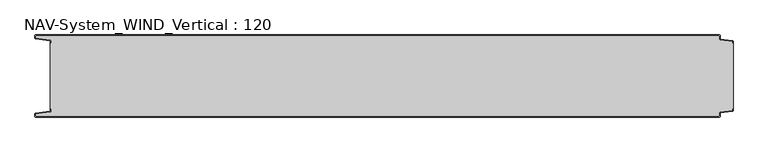
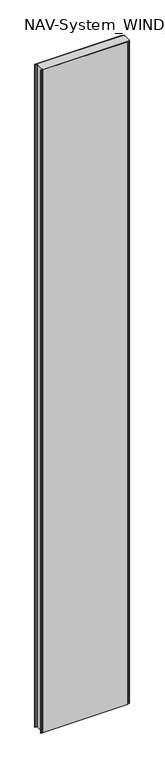
"""IFC4 building model written with IfcOpenShell, lengths in millimetres: plate geometry, NAV-System_WIND_Vertical : 120."""

import ifcopenshell
import ifcopenshell.guid

model = None  # the IFC model being written
_history = None  # IfcOwnerHistory: only IFC2X3 demands one
_inside = {}  # id of a spatial element -> (the spatial element, [elements in it])
_under = {}  # id of a project, library or spatial element -> (it, [spatial elements below it])
_declared = {}  # id of a project -> (the project, [libraries it declares])
_typed = {}  # id of a type object -> (the type object, [elements of that type])
_made_of = {}  # id of a material, layer set ... -> (it, [elements and type objects made of it])


def new_model(schema):
    """Start an empty IFC model of exactly this schema.

    Asked for "IFC4X3", IfcOpenShell would pick the latest addendum, in which some entities
    have other attributes; the version numbers below select the first issue.
    IFC2X3 requires an IfcOwnerHistory on every rooted entity: one is made here for all.
    """
    global model, _history
    if schema == "IFC4X3":
        model = ifcopenshell.file(schema_version=(4, 3, 0, 0))
    else:
        model = ifcopenshell.file(schema=schema)
    _inside.clear()
    _under.clear()
    _declared.clear()
    _typed.clear()
    _made_of.clear()
    _history = None
    if model.schema == "IFC2X3":
        org = make("IfcOrganization", Name="unknown")
        user = make(
            "IfcPersonAndOrganization",
            ThePerson=make("IfcPerson", FamilyName="unknown"),
            TheOrganization=org,
        )
        app = make(
            "IfcApplication",
            ApplicationDeveloper=org,
            Version="unknown",
            ApplicationFullName="unknown",
            ApplicationIdentifier="unknown",
        )
        _history = make(
            "IfcOwnerHistory",
            OwningUser=user,
            OwningApplication=app,
            ChangeAction="ADDED",
            CreationDate=0,
        )
    return model


def make(cls, **values):
    """One entity of the class cls with the attributes given. An attribute that is None is left unset."""
    return model.create_entity(
        cls, **{name: value for name, value in values.items() if value is not None}
    )


def rooted(cls, **values):
    """An entity with a GlobalId (a new one), such as an element, a storey or a relation."""
    return make(cls, GlobalId=ifcopenshell.guid.new(), OwnerHistory=_history, **values)


def si_unit(unit_type, name, prefix=None):
    """IfcSIUnit, for example si_unit("LENGTHUNIT", "METRE", prefix="MILLI")."""
    return make("IfcSIUnit", UnitType=unit_type, Prefix=prefix, Name=name)


def assignment(units):
    """IfcUnitAssignment: the units of a project."""
    return None if units is None else make("IfcUnitAssignment", Units=units)


def point(xyz):
    """IfcCartesianPoint."""
    return None if xyz is None else make("IfcCartesianPoint", Coordinates=xyz)


def direction(xyz):
    """IfcDirection."""
    return None if xyz is None else make("IfcDirection", DirectionRatios=xyz)


def frame(location, z_axis=None, x_axis=None):
    """IfcAxis2Placement3D, a coordinate frame: its origin and axes. An axis left out is left unset."""
    return make(
        "IfcAxis2Placement3D",
        Location=point(location),
        Axis=direction(z_axis),
        RefDirection=direction(x_axis),
    )


def frame_2d(location, x_axis=None):
    """IfcAxis2Placement2D, a coordinate frame in the plane: its origin and x axis."""
    return make(
        "IfcAxis2Placement2D", Location=point(location), RefDirection=direction(x_axis)
    )


def origin():
    """The frame at (0, 0, 0) with its axes left unset."""
    return frame((0.0, 0.0, 0.0))


def origin_with_axes():
    """The frame at (0, 0, 0) with the z axis (0, 0, 1) and the x axis (1, 0, 0) written out."""
    return frame((0.0, 0.0, 0.0), z_axis=(0.0, 0.0, 1.0), x_axis=(1.0, 0.0, 0.0))


def place(relative_to, where):
    """IfcLocalPlacement: puts the frame where relative to a parent placement (None: the world)."""
    return make(
        "IfcLocalPlacement", PlacementRelTo=relative_to, RelativePlacement=where
    )


def context(
    kind, dimensions, precision=None, world=None, true_north=None, identifier=None
):
    """IfcGeometricRepresentationContext, for example the 3D "Model" context."""
    return make(
        "IfcGeometricRepresentationContext",
        ContextIdentifier=identifier,
        ContextType=kind,
        CoordinateSpaceDimension=dimensions,
        Precision=precision,
        WorldCoordinateSystem=world,
        TrueNorth=true_north,
    )


def project(units=None, contexts=None):
    """IfcProject with its units and contexts."""
    return rooted(
        "IfcProject",
        Name="project",
        RepresentationContexts=contexts,
        UnitsInContext=assignment(units),
    )


def spatial(cls, under=None, at=None, **own):
    """A site, building, storey or space (cls), placed at a placement, below another one or the project."""
    s = rooted(cls, ObjectPlacement=at, **own)
    if under is not None:
        _under.setdefault(under.id(), (under, []))[1].append(s)
    return s


def polyline(points):
    """IfcPolyline through the points."""
    return make("IfcPolyline", Points=[point(p) for p in points])


def circle_curve(where, radius):
    """IfcCircle in the frame where."""
    return make("IfcCircle", Position=where, Radius=radius)


def trimmed(basis, trim1, trim2, sense, master):
    """IfcTrimmedCurve: the piece of a basis curve between two trims."""
    return make(
        "IfcTrimmedCurve",
        BasisCurve=basis,
        Trim1=trim1,
        Trim2=trim2,
        SenseAgreement=sense,
        MasterRepresentation=master,
    )


def segment(curve, same_sense, transition):
    """IfcCompositeCurveSegment."""
    return make(
        "IfcCompositeCurveSegment",
        Transition=transition,
        SameSense=same_sense,
        ParentCurve=curve,
    )


def composite_curve(segments, self_intersect=None):
    """IfcCompositeCurve: segments joined end to end."""
    return make("IfcCompositeCurve", Segments=segments, SelfIntersect=self_intersect)


def outline(outer, holes=None, kind="AREA"):
    """IfcArbitraryClosedProfileDef: a profile drawn as a closed curve; with holes, ...WithVoids."""
    if holes is None:
        return make("IfcArbitraryClosedProfileDef", ProfileType=kind, OuterCurve=outer)
    return make(
        "IfcArbitraryProfileDefWithVoids",
        ProfileType=kind,
        OuterCurve=outer,
        InnerCurves=holes,
    )


def extrude(swept, where, along, depth):
    """IfcExtrudedAreaSolid: the profile swept, set in the frame where, extruded along a direction by depth."""
    return make(
        "IfcExtrudedAreaSolid",
        SweptArea=swept,
        Position=where,
        ExtrudedDirection=direction(along),
        Depth=depth,
    )


def shape(context_of_items, identifier, shape_type, items):
    """IfcShapeRepresentation: the items that make up one representation, for example the "Body"."""
    return make(
        "IfcShapeRepresentation",
        ContextOfItems=context_of_items,
        RepresentationIdentifier=identifier,
        RepresentationType=shape_type,
        Items=items,
    )


def source(mapping_origin, context_of_items, identifier, shape_type, items):
    """IfcRepresentationMap: a shape defined once, which mapped items show again and again."""
    return make(
        "IfcRepresentationMap",
        MappingOrigin=mapping_origin,
        MappedRepresentation=shape(context_of_items, identifier, shape_type, items),
    )


def transform(
    local_origin,
    x_axis=None,
    y_axis=None,
    z_axis=None,
    scale=None,
    scale2=None,
    scale3=None,
    uniform=True,
):
    """IfcCartesianTransformationOperator3D, or its non-uniform kind. x_axis, y_axis, z_axis: its Axis1, 2, 3."""
    if uniform:
        return make(
            "IfcCartesianTransformationOperator3D",
            Axis1=direction(x_axis),
            Axis2=direction(y_axis),
            LocalOrigin=point(local_origin),
            Scale=scale,
            Axis3=direction(z_axis),
        )
    return make(
        "IfcCartesianTransformationOperator3DnonUniform",
        Axis1=direction(x_axis),
        Axis2=direction(y_axis),
        LocalOrigin=point(local_origin),
        Scale=scale,
        Axis3=direction(z_axis),
        Scale2=scale2,
        Scale3=scale3,
    )


def mapped(mapping_source, mapping_target):
    """IfcMappedItem: shows the shape of a source again, moved by a transform."""
    return make(
        "IfcMappedItem", MappingSource=mapping_source, MappingTarget=mapping_target
    )


def made_of(thing, what):
    """Note that an element or type object is made of a material, layer set ...; save() writes the relation."""
    if what is not None:
        _made_of.setdefault(what.id(), (what, []))[1].append(thing)
    return thing


def element(
    cls,
    number,
    at=None,
    inside=None,
    cuts=None,
    type_object=None,
    material=None,
    context=None,
    identifier="Body",
    shape_type=None,
    held_by="IfcProductDefinitionShape",
    body=None,
    shapes=None,
    **own,
):
    """One element of the class cls, such as IfcWall. Its Tag is "e" and its number.

    at: its placement. inside: the storey or other place that contains it. cuts: it is an
    opening in that element (IfcRelVoidsElement). A single representation is given by context,
    identifier, shape_type and body (its items); several are given by shapes. held_by: the class
    of the entity that holds the representations. save() writes the other relations.
    """
    e = rooted(cls, Tag="e%d" % number, ObjectPlacement=at, **own)
    if body is not None:
        shapes = [shape(context, identifier, shape_type, body)]
    if shapes is not None:
        e.Representation = make(held_by, Representations=shapes)
    if inside is not None:
        _inside.setdefault(inside.id(), (inside, []))[1].append(e)
    if cuts is not None:
        rooted(
            "IfcRelVoidsElement", RelatingBuildingElement=cuts, RelatedOpeningElement=e
        )
    if type_object is not None:
        _typed.setdefault(type_object.id(), (type_object, []))[1].append(e)
    return made_of(e, material)


def aggregate(whole, parts):
    """IfcRelAggregates: a whole, such as a stair, and the parts it consists of."""
    return rooted("IfcRelAggregates", RelatingObject=whole, RelatedObjects=parts)


def save(model, path):
    """Write the relations noted so far, then the file.

    IfcRelAggregates (storeys below a building ...), IfcRelContainedInSpatialStructure (elements
    in a storey), IfcRelDefinesByType, IfcRelAssociatesMaterial and IfcRelDeclares: one each for
    every whole, place, type object, material and project.
    """
    for whole, parts in _under.values():
        aggregate(whole, parts)
    for where, things in _inside.values():
        rooted(
            "IfcRelContainedInSpatialStructure",
            RelatedElements=things,
            RelatingStructure=where,
        )
    for kind, things in _typed.values():
        rooted("IfcRelDefinesByType", RelatedObjects=things, RelatingType=kind)
    for what, things in _made_of.values():
        rooted("IfcRelAssociatesMaterial", RelatedObjects=things, RelatingMaterial=what)
    for by, libraries in _declared.values():
        rooted("IfcRelDeclares", RelatingContext=by, RelatedDefinitions=libraries)
    model.write(path)


def nav_system_wind_vertical_120_45c9d836(model_context):
    return source(origin(), model_context, "Body", "SweptSolid", [
        extrude(outline(composite_curve([segment(polyline([(519.0, -108.2932637), (519.0, -110.1932637)]), True, "CONTINUOUS"), segment(trimmed(circle_curve(frame_2d((517.7, -110.1932637)), 1.3), [point((519.0, -110.1932637))], [point((517.8810287, -111.4805976))], False, "CARTESIAN"), True, "CONTINUOUS"), segment(polyline([(517.8810287, -111.4805976), (500.602523, -113.9103519)]), True, "CONTINUOUS"), segment(trimmed(circle_curve(frame_2d((500.7, -114.6035317)), 0.7), [point((500.602523, -113.9103519))], [point((500.0, -114.6035317))], True, "CARTESIAN"), True, "CONTINUOUS"), segment(polyline([(500.0, -114.6035317), (500.0, -118.7)]), True, "CONTINUOUS"), segment(trimmed(circle_curve(frame_2d((498.7, -118.7)), 1.3), [point((500.0, -118.7))], [point((498.7, -120.0))], False, "CARTESIAN"), True, "CONTINUOUS"), segment(polyline([(498.7, -120.0), (-498.7, -120.0)]), True, "CONTINUOUS"), segment(trimmed(circle_curve(frame_2d((-498.7, -118.7)), 1.3), [point((-498.7, -120.0))], [point((-500.0, -118.7))], False, "CARTESIAN"), True, "CONTINUOUS"), segment(polyline([(-500.0, -118.7), (-500.0, -115.6299809)]), True, "CONTINUOUS"), segment(trimmed(circle_curve(frame_2d((-498.7, -115.6299809)), 1.3), [point((-500.0, -115.6299809))], [point((-498.8810287, -114.342647))], False, "CARTESIAN"), True, "CONTINUOUS"), segment(polyline([(-498.8810287, -114.342647), (-478.102523, -111.4207123)]), True, "CONTINUOUS"), segment(trimmed(circle_curve(frame_2d((-478.2, -110.7275325)), 0.7), [point((-478.102523, -111.4207123))], [point((-477.5, -110.7275325))], True, "CARTESIAN"), True, "CONTINUOUS"), segment(polyline([(-477.5, -110.7275325), (-477.5, -108.3275325), (-476.7, -108.3275325), (-476.7, -110.7275325)]), True, "CONTINUOUS"), segment(trimmed(circle_curve(frame_2d((-478.2, -110.7275325)), 1.5), [point((-476.7, -110.7275325))], [point((-477.9911207, -112.2129178))], False, "CARTESIAN"), True, "CONTINUOUS"), segment(polyline([(-477.9911207, -112.2129178), (-499.2, -115.1953728), (-499.2, -118.7)]), True, "CONTINUOUS"), segment(trimmed(circle_curve(frame_2d((-498.7, -118.7)), 0.5), [point((-499.2, -118.7))], [point((-498.7, -119.2))], True, "CARTESIAN"), True, "CONTINUOUS"), segment(polyline([(-498.7, -119.2), (498.7, -119.2)]), True, "CONTINUOUS"), segment(trimmed(circle_curve(frame_2d((498.7, -118.7)), 0.5), [point((498.7, -119.2))], [point((499.2, -118.7))], True, "CARTESIAN"), True, "CONTINUOUS"), segment(polyline([(499.2, -118.7), (499.2, -114.6035317)]), True, "CONTINUOUS"), segment(trimmed(circle_curve(frame_2d((500.7, -114.6035317)), 1.5), [point((499.2, -114.6035317))], [point((500.4911207, -113.1181464))], False, "CARTESIAN"), True, "CONTINUOUS"), segment(polyline([(500.4911207, -113.1181464), (518.2, -110.6278717), (518.2, -108.2932637), (519.0, -108.2932637)]), True, "CONTINUOUS")], self_intersect=False)), origin_with_axes(), (0.0, 0.0, 1.0), 8000.0),
        extrude(outline(composite_curve([segment(polyline([(519.0, -11.7067363), (518.2, -11.7067363), (518.2, -9.3721283), (500.4911207, -6.8818536)]), True, "CONTINUOUS"), segment(trimmed(circle_curve(frame_2d((500.7, -5.3964683)), 1.5), [point((500.4911207, -6.8818536))], [point((499.2, -5.3964683))], False, "CARTESIAN"), True, "CONTINUOUS"), segment(polyline([(499.2, -5.3964683), (499.2, -1.3)]), True, "CONTINUOUS"), segment(trimmed(circle_curve(frame_2d((498.7, -1.3)), 0.5), [point((499.2, -1.3))], [point((498.7, -0.8))], True, "CARTESIAN"), True, "CONTINUOUS"), segment(polyline([(498.7, -0.8), (-498.7, -0.8)]), True, "CONTINUOUS"), segment(trimmed(circle_curve(frame_2d((-498.7, -1.3)), 0.5), [point((-498.7, -0.8))], [point((-499.2, -1.3))], True, "CARTESIAN"), True, "CONTINUOUS"), segment(polyline([(-499.2, -1.3), (-499.2, -4.8046272), (-477.9911207, -7.7870822)]), True, "CONTINUOUS"), segment(trimmed(circle_curve(frame_2d((-478.2, -9.2724675)), 1.5), [point((-477.9911207, -7.7870822))], [point((-476.7, -9.2724675))], False, "CARTESIAN"), True, "CONTINUOUS"), segment(polyline([(-476.7, -9.2724675), (-476.7, -11.6724675), (-477.5, -11.6724675), (-477.5, -9.2724675)]), True, "CONTINUOUS"), segment(trimmed(circle_curve(frame_2d((-478.2, -9.2724675)), 0.7), [point((-477.5, -9.2724675))], [point((-478.102523, -8.5792877))], True, "CARTESIAN"), True, "CONTINUOUS"), segment(polyline([(-478.102523, -8.5792877), (-498.8810287, -5.657353)]), True, "CONTINUOUS"), segment(trimmed(circle_curve(frame_2d((-498.7, -4.3700191)), 1.3), [point((-498.8810287, -5.657353))], [point((-500.0, -4.3700191))], False, "CARTESIAN"), True, "CONTINUOUS"), segment(polyline([(-500.0, -4.3700191), (-500.0, -1.3)]), True, "CONTINUOUS"), segment(trimmed(circle_curve(frame_2d((-498.7, -1.3)), 1.3), [point((-500.0, -1.3))], [point((-498.7, 0.0))], False, "CARTESIAN"), True, "CONTINUOUS"), segment(polyline([(-498.7, 0.0), (498.7, 0.0)]), True, "CONTINUOUS"), segment(trimmed(circle_curve(frame_2d((498.7, -1.3)), 1.3), [point((498.7, 0.0))], [point((500.0, -1.3))], False, "CARTESIAN"), True, "CONTINUOUS"), segment(polyline([(500.0, -1.3), (500.0, -5.3964683)]), True, "CONTINUOUS"), segment(trimmed(circle_curve(frame_2d((500.7, -5.3964683)), 0.7), [point((500.0, -5.3964683))], [point((500.602523, -6.0896481))], True, "CARTESIAN"), True, "CONTINUOUS"), segment(polyline([(500.602523, -6.0896481), (517.8810287, -8.5194024)]), True, "CONTINUOUS"), segment(trimmed(circle_curve(frame_2d((517.7, -9.8067363)), 1.3), [point((517.8810287, -8.5194024))], [point((519.0, -9.8067363))], False, "CARTESIAN"), True, "CONTINUOUS"), segment(polyline([(519.0, -9.8067363), (519.0, -11.7067363)]), True, "CONTINUOUS")], self_intersect=False)), origin_with_axes(), (0.0, 0.0, 1.0), 8000.0),
        extrude(outline(composite_curve([segment(polyline([(500.4911207, -6.8818536), (518.2, -9.3721283), (518.2, -11.6767555), (519.0, -11.6767555), (519.0, -108.2767555), (518.2, -108.2767555), (518.2, -110.6278717), (500.4911207, -113.1181464)]), True, "CONTINUOUS"), segment(trimmed(circle_curve(frame_2d((500.7, -114.6035317)), 1.5), [point((500.4911207, -113.1181464))], [point((499.2, -114.6035317))], True, "CARTESIAN"), True, "CONTINUOUS"), segment(polyline([(499.2, -114.6035317), (499.2, -118.7)]), True, "CONTINUOUS"), segment(trimmed(circle_curve(frame_2d((498.7, -118.7)), 0.5), [point((499.2, -118.7))], [point((498.7, -119.2))], False, "CARTESIAN"), True, "CONTINUOUS"), segment(polyline([(498.7, -119.2), (-498.7, -119.2)]), True, "CONTINUOUS"), segment(trimmed(circle_curve(frame_2d((-498.7, -118.7)), 0.5), [point((-498.7, -119.2))], [point((-499.2, -118.7))], False, "CARTESIAN"), True, "CONTINUOUS"), segment(polyline([(-499.2, -118.7), (-499.2, -115.1953728), (-477.9911207, -112.2129178)]), True, "CONTINUOUS"), segment(trimmed(circle_curve(frame_2d((-478.2, -110.7275325)), 1.5), [point((-477.9911207, -112.2129178))], [point((-476.7, -110.7275325))], True, "CARTESIAN"), True, "CONTINUOUS"), segment(polyline([(-476.7, -110.7275325), (-476.7, -108.2767555), (-477.5, -108.2767555), (-477.5, -11.6767555), (-476.7, -11.6767555), (-476.7, -9.2724675)]), True, "CONTINUOUS"), segment(trimmed(circle_curve(frame_2d((-478.2, -9.2724675)), 1.5), [point((-476.7, -9.2724675))], [point((-477.9911207, -7.7870822))], True, "CARTESIAN"), True, "CONTINUOUS"), segment(polyline([(-477.9911207, -7.7870822), (-499.2, -4.8046272), (-499.2, -1.3)]), True, "CONTINUOUS"), segment(trimmed(circle_curve(frame_2d((-498.7, -1.3)), 0.5), [point((-499.2, -1.3))], [point((-498.7, -0.8))], False, "CARTESIAN"), True, "CONTINUOUS"), segment(polyline([(-498.7, -0.8), (498.7, -0.8)]), True, "CONTINUOUS"), segment(trimmed(circle_curve(frame_2d((498.7, -1.3)), 0.5), [point((498.7, -0.8))], [point((499.2, -1.3))], False, "CARTESIAN"), True, "CONTINUOUS"), segment(polyline([(499.2, -1.3), (499.2, -5.3964683)]), True, "CONTINUOUS"), segment(trimmed(circle_curve(frame_2d((500.7, -5.3964683)), 1.5), [point((499.2, -5.3964683))], [point((500.4911207, -6.8818536))], True, "CARTESIAN"), True, "CONTINUOUS")], self_intersect=False)), origin_with_axes(), (0.0, 0.0, 1.0), 8000.0),
    ])


if __name__ == "__main__":
    model = new_model("IFC4")
    model_context = context("Model", 3, world=origin())
    ifc_project = project(units=[si_unit("LENGTHUNIT", "METRE", prefix="MILLI")], contexts=[model_context])
    site = spatial("IfcSite", under=ifc_project)
    building = spatial("IfcBuilding", under=site)
    placement = place(None, origin())
    nav_system_wind_vertical_120_shape = nav_system_wind_vertical_120_45c9d836(model_context)
    element("IfcPlate", 1, ObjectType="NAV-System_WIND_Vertical : 120", at=placement, inside=building, context=model_context, shape_type="MappedRepresentation", body=[
        mapped(nav_system_wind_vertical_120_shape, transform((0.0, 0.0, 0.0), x_axis=(1.0, 0.0, 0.0), y_axis=(0.0, 1.0, 0.0), z_axis=(0.0, 0.0, 1.0))),
    ])
    save(model, "model.ifc")
